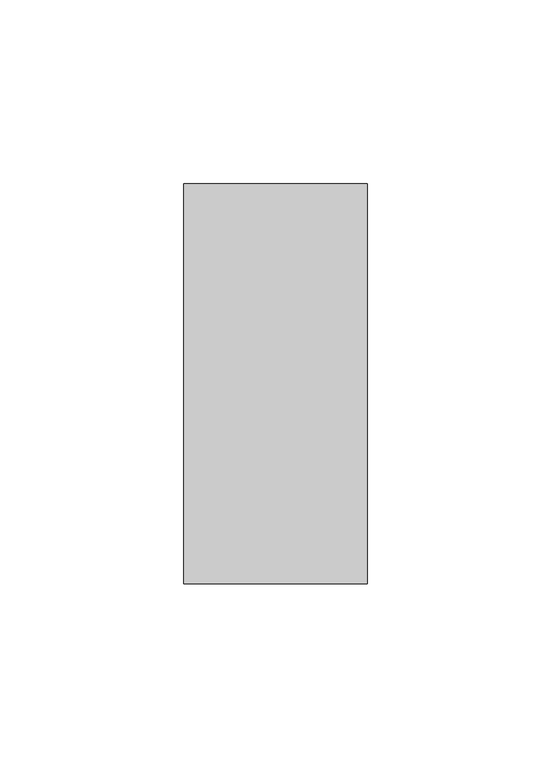
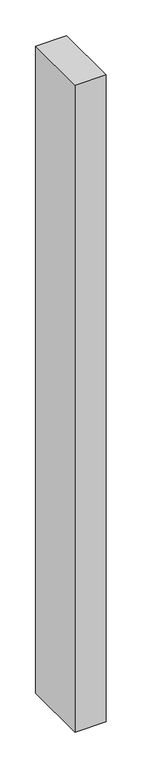
"""IFC4 building model written with IfcOpenShell, lengths in millimetres: member geometry."""

from ifc_helpers import new_model, si_unit, frame, origin, place, context, project, spatial, polyline, outline, extrude, source, transform, mapped, element, save


def member_07645d14(model_context):
    return source(origin(), model_context, "Body", "SweptSolid", [
        extrude(outline(polyline([(-50.0, -18.0), (-50.0, 91.0), (0.0, 91.0), (0.0, -18.0), (-50.0, -18.0)])), frame((0.0, 0.0, -1099.9999997), z_axis=(0.0, 0.0, 1.0), x_axis=(1.0, 0.0, 0.0)), (0.0, 0.0, 1.0), 1099.9999997),
    ])


if __name__ == "__main__":
    model = new_model("IFC4")
    model_context = context("Model", 3, world=origin())
    ifc_project = project(units=[si_unit("LENGTHUNIT", "METRE", prefix="MILLI")], contexts=[model_context])
    site = spatial("IfcSite", under=ifc_project)
    building = spatial("IfcBuilding", under=site)
    placement = place(None, origin())
    member_shape = member_07645d14(model_context)
    element("IfcMember", 1, at=placement, inside=building, context=model_context, shape_type="MappedRepresentation", body=[
        mapped(member_shape, transform((0.0, 0.0, 0.0), x_axis=(1.0, 0.0, 0.0), y_axis=(0.0, 1.0, 0.0), z_axis=(0.0, 0.0, 1.0))),
    ])
    save(model, "model.ifc")
